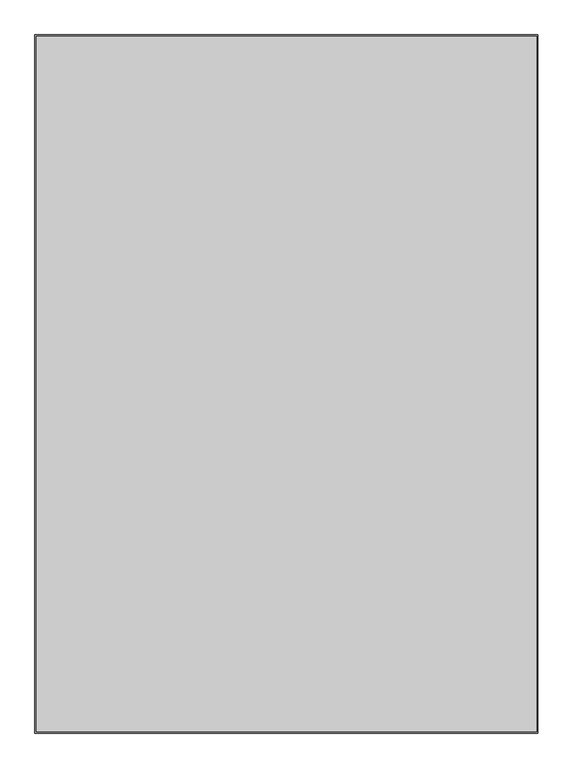
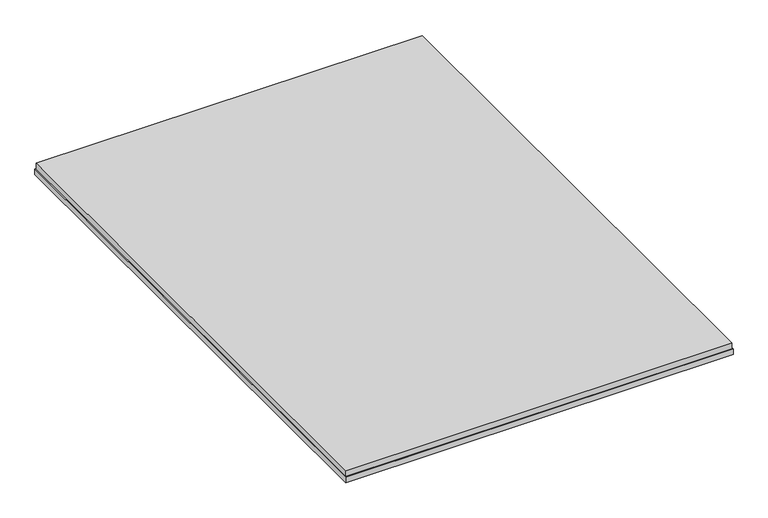
"""IFC4 building model written with IfcOpenShell, lengths in millimetres: proxy geometry."""

from ifc_helpers import new_model, si_unit, frame, origin, place, context, project, spatial, polyline, outline, extrude, source, transform, mapped, element, save


def generic_models_69a69ca0(model_context):
    return source(origin(), model_context, "Body", "SweptSolid", [
        extrude(outline(polyline([(1728.5, 69.0), (69.0, 69.0), (69.0, 2376.0), (1728.5, 2376.0), (1728.5, 69.0)])), frame((0.0, 0.0, -43.0), z_axis=(0.0, 0.0, 1.0), x_axis=(1.0, 0.0, 0.0)), (0.0, 0.0, 1.0), 27.0),
        extrude(outline(polyline([(65.0, 65.0), (65.0, 2380.0), (1732.5, 2380.0), (1732.5, 65.0), (65.0, 65.0)]), holes=[polyline([(1714.5, 83.0), (1714.5, 2362.0), (83.0, 2362.0), (83.0, 83.0), (1714.5, 83.0)])]), frame((0.0, 0.0, -68.0), z_axis=(0.0, 0.0, 1.0), x_axis=(1.0, 0.0, 0.0)), (0.0, 0.0, 1.0), 25.0),
    ])


if __name__ == "__main__":
    model = new_model("IFC4")
    model_context = context("Model", 3, world=origin())
    ifc_project = project(units=[si_unit("LENGTHUNIT", "METRE", prefix="MILLI")], contexts=[model_context])
    site = spatial("IfcSite", under=ifc_project)
    building = spatial("IfcBuilding", under=site)
    placement = place(None, origin())
    generic_models_shape = generic_models_69a69ca0(model_context)
    element("IfcBuildingElementProxy", 1, Name="Generic Models", at=placement, inside=building, context=model_context, shape_type="MappedRepresentation", body=[
        mapped(generic_models_shape, transform((0.0, 0.0, 0.0), x_axis=(1.0, 0.0, 0.0), y_axis=(0.0, 1.0, 0.0), z_axis=(0.0, 0.0, 1.0))),
    ])
    save(model, "model.ifc")
